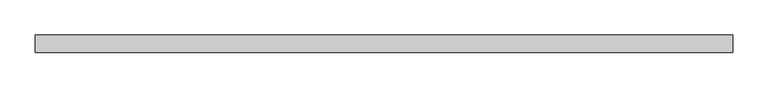
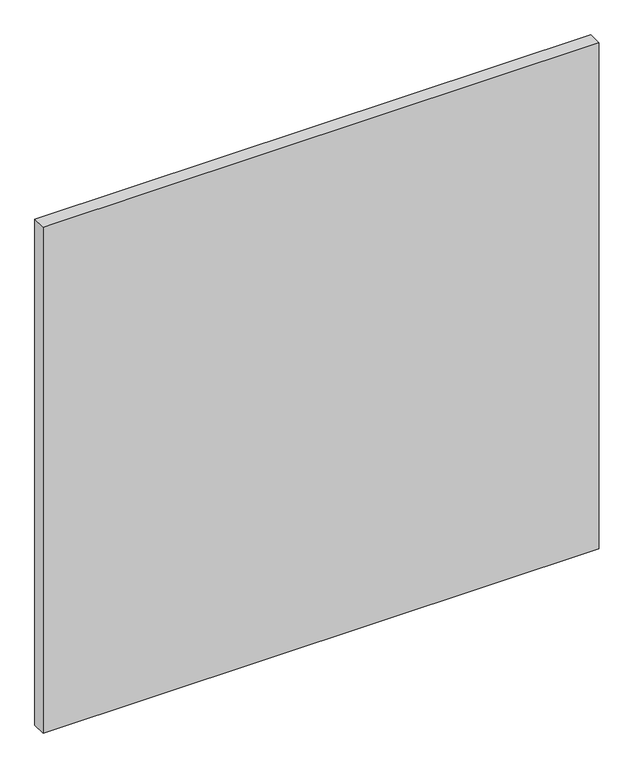
"""IFC4 building model written with IfcOpenShell, lengths in millimetres: plate geometry."""

from ifc_helpers import new_model, si_unit, origin, origin_with_axes, place, context, project, spatial, polyline, outline, extrude, source, transform, mapped, element, save


def plate_6f914067(model_context):
    return source(origin(), model_context, "Body", "SweptSolid", [
        extrude(outline(polyline([(493.8867244, 24.5), (-493.8867244, 24.5), (-493.8867244, 49.5), (493.8867244, 49.5), (493.8867244, 24.5)])), origin_with_axes(), (0.0, 0.0, 1.0), 950.0),
    ])


if __name__ == "__main__":
    model = new_model("IFC4")
    model_context = context("Model", 3, world=origin())
    ifc_project = project(units=[si_unit("LENGTHUNIT", "METRE", prefix="MILLI")], contexts=[model_context])
    site = spatial("IfcSite", under=ifc_project)
    building = spatial("IfcBuilding", under=site)
    placement = place(None, origin())
    plate_shape = plate_6f914067(model_context)
    element("IfcPlate", 1, at=placement, inside=building, context=model_context, shape_type="MappedRepresentation", body=[
        mapped(plate_shape, transform((0.0, 0.0, 0.0), x_axis=(1.0, 0.0, 0.0), y_axis=(0.0, 1.0, 0.0), z_axis=(0.0, 0.0, 1.0))),
    ])
    save(model, "model.ifc")
